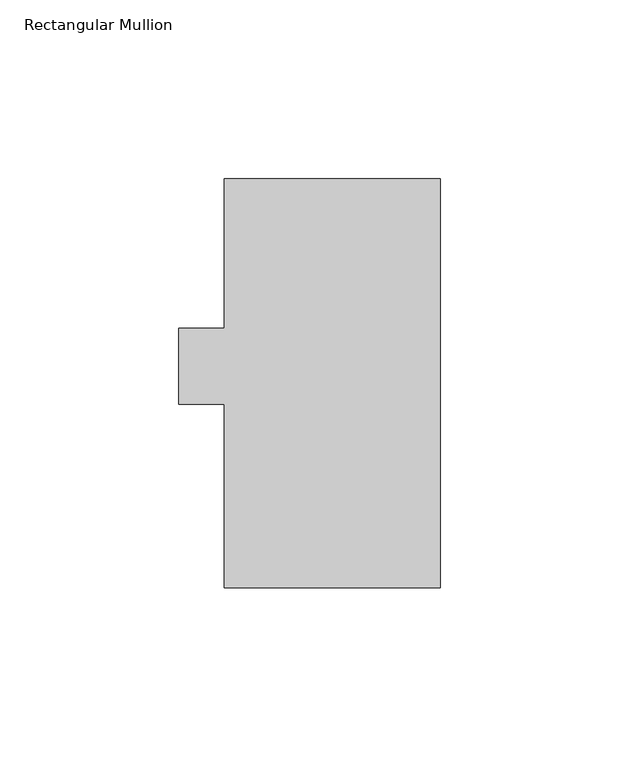
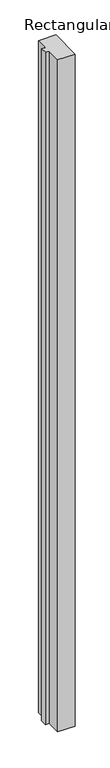
"""IFC4 building model written with IfcOpenShell, lengths in millimetres: member geometry, Rectangular Mullion."""

from ifc_helpers import new_model, si_unit, frame, origin, place, context, project, spatial, polyline, outline, extrude, source, transform, mapped, element, save


def rectangular_mullion_deb17f87(model_context):
    return source(origin(), model_context, "Body", "SweptSolid", [
        extrude(outline(polyline([(-60.325, 112.0695625), (0.0, 112.0695625), (0.0, -2.2304375), (-60.325, -2.2304375), (-60.325, 48.9759625), (-73.025, 48.9759625), (-73.025, 70.3627625), (-60.325, 70.3627625), (-60.325, 112.0695625)])), frame((0.0, 0.0, -2438.4), z_axis=(0.0, 0.0, 1.0), x_axis=(1.0, 0.0, 0.0)), (0.0, 0.0, 1.0), 2438.4),
    ])


if __name__ == "__main__":
    model = new_model("IFC4")
    model_context = context("Model", 3, world=origin())
    ifc_project = project(units=[si_unit("LENGTHUNIT", "METRE", prefix="MILLI")], contexts=[model_context])
    site = spatial("IfcSite", under=ifc_project)
    building = spatial("IfcBuilding", under=site)
    placement = place(None, origin())
    rectangular_mullion_shape = rectangular_mullion_deb17f87(model_context)
    element("IfcMember", 1, ObjectType="Rectangular Mullion", at=placement, inside=building, context=model_context, shape_type="MappedRepresentation", body=[
        mapped(rectangular_mullion_shape, transform((0.0, 0.0, 0.0), x_axis=(1.0, 0.0, 0.0), y_axis=(0.0, 1.0, 0.0), z_axis=(0.0, 0.0, 1.0))),
    ])
    save(model, "model.ifc")
